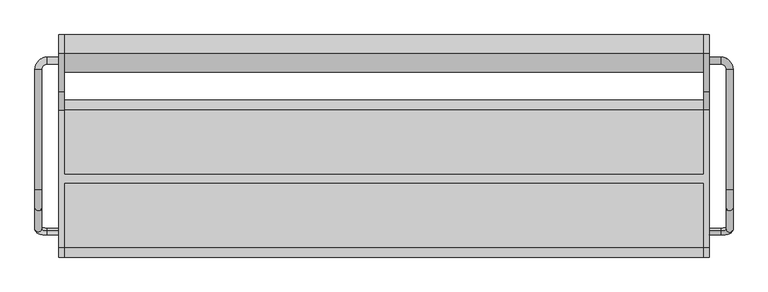
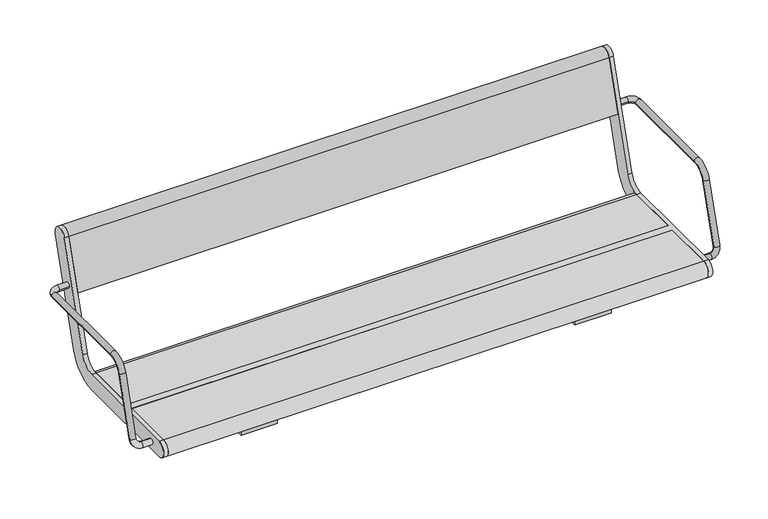
"""IFC4 building model written with IfcOpenShell, lengths in millimetres: furniture geometry."""

from ifc_helpers import new_model, si_unit, point, frame, frame_2d, origin, place, context, project, spatial, polyline, circle_curve, ellipse_curve, trimmed, segment, composite_curve, outline, extrude, source, transform, mapped, element, save
from ifc_brep_helpers import plane_surface, cylinder_surface, revolved_surface, advanced_brep


def furniture_1bf1882a(model_context):
    return source(origin(), model_context, "Body", "SolidModel", [
        advanced_brep(
        [(-757.0, -121.1610264, 435.150438), (-757.0, -125.8389736, 419.849562), (-784.0, -125.8389736, 419.849562), (-784.0, -121.1610264, 435.150438), (-813.0, -117.3601942, 447.5823999), (-797.0, -117.3601942, 447.5823999), (-813.0, 254.5, 641.5), (-813.0, -24.7753858, 641.5), (-797.0, -24.7753858, 641.5), (-797.0, 254.5, 641.5), (-797.0, -67.8090998, 609.6567267), (-813.0, -67.8090998, 609.6567267), (-757.0, 267.5, 641.5), (-757.0, 283.5, 641.5), (-784.0, 283.5, 641.5), (-784.0, 267.5, 641.5)],
        [
            (0, 1, circle_curve(frame((-757.0, -123.5, 427.5), z_axis=(1.0, 0.0, 0.0), x_axis=(0.0, -0.2923717047227402, -0.9563047559630344)), 8.0)),
            (1, 0, circle_curve(frame((-757.0, -123.5, 427.5), z_axis=(1.0, 0.0, 0.0), x_axis=(0.0, -0.2923717047227402, -0.9563047559630344)), 8.0)),
            (1, 2),
            (2, 3, circle_curve(frame((-784.0, -123.5, 427.5), z_axis=(1.0, 0.0, 0.0), x_axis=(0.0, -0.2923717047227402, -0.9563047559630344)), 8.0)),
            (3, 0),
            (3, 2, circle_curve(frame((-784.0, -123.5, 427.5), z_axis=(1.0, 0.0, 0.0), x_axis=(0.0, -0.2923717047227402, -0.9563047559630344)), 8.0)),
            (2, 4, circle_curve(frame((-784.0, -117.3601942, 447.5823999), z_axis=(0.0, 0.9563047559630344, -0.29237170472274027), x_axis=(0.0, -0.29237170472274027, -0.9563047559630344)), 29.0)),
            (4, 5, circle_curve(frame((-805.0, -117.3601942, 447.5823999), z_axis=(0.0, -0.29237170472274027, -0.9563047559630344), x_axis=(-1.0, 0.0, 0.0)), 8.0)),
            (5, 3, circle_curve(frame((-784.0, -117.3601942, 447.5823999), z_axis=(0.0, -0.9563047559630344, 0.29237170472274027), x_axis=(0.0, -0.29237170472274027, -0.9563047559630344)), 13.0)),
            (5, 4, circle_curve(frame((-805.0, -117.3601942, 447.5823999), z_axis=(0.0, -0.29237170472274027, -0.9563047559630344), x_axis=(-1.0, 0.0, 0.0)), 8.0)),
            (6, 7),
            (7, 8, circle_curve(frame((-805.0, -24.7753858, 641.5), z_axis=(0.0, 1.0, 0.0), x_axis=(-1.0, 0.0, 0.0)), 8.0)),
            (8, 9),
            (9, 6, circle_curve(frame((-805.0, 254.5, 641.5), z_axis=(0.0, -1.0, 0.0), x_axis=(-1.0, 0.0, 0.0)), 8.0)),
            (6, 9, circle_curve(frame((-805.0, 254.5, 641.5), z_axis=(0.0, -1.0, 0.0), x_axis=(-1.0, 0.0, 0.0)), 8.0)),
            (8, 7, circle_curve(frame((-805.0, -24.7753858, 641.5), z_axis=(0.0, 1.0, 0.0), x_axis=(-1.0, 0.0, 0.0)), 8.0)),
            (10, 11, circle_curve(frame((-805.0, -67.8090998, 609.6567267), z_axis=(0.0, -0.2923717047227378, -0.9563047559630351), x_axis=(-1.0, 0.0, 0.0)), 8.0)),
            (11, 4),
            (5, 10),
            (11, 10, circle_curve(frame((-805.0, -67.8090998, 609.6567267), z_axis=(0.0, -0.2923717047227378, -0.9563047559630351), x_axis=(-1.0, 0.0, 0.0)), 8.0)),
            (7, 11, circle_curve(frame((-813.0, -24.7753858, 596.5), z_axis=(1.0, 0.0, 0.0), x_axis=(0.0, 0.0, 1.0)), 45.0)),
            (10, 8, circle_curve(frame((-797.0, -24.7753858, 596.5), z_axis=(-1.0, 0.0, 0.0), x_axis=(0.0, 0.0, 1.0)), 45.0)),
            (12, 13, circle_curve(frame((-757.0, 275.5, 641.5), z_axis=(1.0, 0.0, 0.0), x_axis=(0.0, 1.0, 0.0)), 8.0)),
            (13, 12, circle_curve(frame((-757.0, 275.5, 641.5), z_axis=(1.0, 0.0, 0.0), x_axis=(0.0, 1.0, 0.0)), 8.0)),
            (13, 14),
            (14, 15, circle_curve(frame((-784.0, 275.5, 641.5), z_axis=(1.0, 0.0, 0.0), x_axis=(0.0, 1.0, 0.0)), 8.0)),
            (15, 12),
            (15, 14, circle_curve(frame((-784.0, 275.5, 641.5), z_axis=(1.0, 0.0, 0.0), x_axis=(0.0, 1.0, 0.0)), 8.0)),
            (14, 6, circle_curve(frame((-784.0, 254.5, 641.5), z_axis=(0.0, 0.0, 1.0), x_axis=(0.0, 1.0, 0.0)), 29.0)),
            (9, 15, circle_curve(frame((-784.0, 254.5, 641.5), z_axis=(0.0, 0.0, -1.0), x_axis=(0.0, 1.0, 0.0)), 13.0)),
        ],
        [
            plane_surface(frame((-757.0, -736.969501, 615.0564486), z_axis=(1.0, 0.0, 0.0), x_axis=(0.0, 0.9563047559630344, -0.29237170472274027))),
            cylinder_surface(frame((-757.0, -123.5, 427.5), z_axis=(1.0, 0.0, 0.0), x_axis=(0.0, -0.2923717047227402, -0.9563047559630344)), 8.0),
            revolved_surface(trimmed(ellipse_curve(frame((-784.0, -123.5, 427.5), z_axis=(1.0, 0.0, 0.0), x_axis=(0.0, -0.2923717047227402, -0.9563047559630344)), 8.0, 8.0), [point((-784.0, -125.8389736, 419.849562))], [point((-784.0, -121.1610264, 435.150438))], True, "CARTESIAN"), (-784.0, -730.8296952, 635.1388485), (0.0, 0.9563047559630344, -0.29237170472274027)),
            revolved_surface(trimmed(ellipse_curve(frame((-784.0, -123.5, 427.5), z_axis=(1.0, 0.0, 0.0), x_axis=(0.0, -0.2923717047227402, -0.9563047559630344)), 8.0, 8.0), [point((-784.0, -121.1610264, 435.150438))], [point((-784.0, -125.8389736, 419.849562))], True, "CARTESIAN"), (-784.0, -730.8296952, 635.1388485), (0.0, 0.9563047559630344, -0.29237170472274027)),
            cylinder_surface(frame((-805.0, 254.5, 641.5), z_axis=(0.0, 1.0, 0.0), x_axis=(-1.0, 0.0, 0.0)), 8.0),
            cylinder_surface(frame((-805.0, -67.8090998, 609.6567267), z_axis=(0.0, 0.2923717047227378, 0.9563047559630351), x_axis=(-1.0, 0.0, 0.0)), 8.0),
            revolved_surface(trimmed(ellipse_curve(frame((-805.0, -24.7753858, 641.5), z_axis=(0.0, 1.0, 0.0), x_axis=(-1.0, 0.0, 0.0)), 8.0, 8.0), [point((-813.0, -24.7753858, 641.5))], [point((-797.0, -24.7753858, 641.5))], True, "CARTESIAN"), (-500.0, -24.7753858, 596.5), (1.0, 0.0, 0.0)),
            revolved_surface(trimmed(ellipse_curve(frame((-805.0, -24.7753858, 641.5), z_axis=(0.0, 1.0, 0.0), x_axis=(-1.0, 0.0, 0.0)), 8.0, 8.0), [point((-797.0, -24.7753858, 641.5))], [point((-813.0, -24.7753858, 641.5))], True, "CARTESIAN"), (-500.0, -24.7753858, 596.5), (1.0, 0.0, 0.0)),
            plane_surface(frame((-757.0, 275.5, 0.0), z_axis=(1.0, 0.0, 0.0), x_axis=(0.0, 0.0, 1.0))),
            cylinder_surface(frame((-757.0, 275.5, 641.5), z_axis=(1.0, 0.0, 0.0), x_axis=(0.0, 1.0, 0.0)), 8.0),
            revolved_surface(trimmed(ellipse_curve(frame((-784.0, 275.5, 641.5), z_axis=(1.0, 0.0, 0.0), x_axis=(0.0, 1.0, 0.0)), 8.0, 8.0), [point((-784.0, 283.5, 641.5))], [point((-784.0, 267.5, 641.5))], True, "CARTESIAN"), (-784.0, 254.5, 0.0), (0.0, 0.0, 1.0)),
            revolved_surface(trimmed(ellipse_curve(frame((-784.0, 275.5, 641.5), z_axis=(1.0, 0.0, 0.0), x_axis=(0.0, 1.0, 0.0)), 8.0, 8.0), [point((-784.0, 267.5, 641.5))], [point((-784.0, 283.5, 641.5))], True, "CARTESIAN"), (-784.0, 254.5, 0.0), (0.0, 0.0, 1.0)),
        ],
        [
            (0, [[1, 2]]),
            (1, [[-2, 3, 4, 5]]),
            (1, [[-1, -5, 6, -3]]),
            (2, [[-4, 7, 8, 9]]),
            (3, [[-6, -9, 10, -7]]),
            (4, [[11, 12, 13, 14]]),
            (4, [[-11, 15, -13, 16]]),
            (5, [[17, 18, -10, 19]]),
            (5, [[-18, 20, -19, -8]]),
            (6, [[-12, 21, -17, 22]]),
            (7, [[-16, -22, -20, -21]]),
            (8, [[23, 24]]),
            (9, [[-24, 25, 26, 27]]),
            (9, [[-23, -27, 28, -25]]),
            (10, [[-26, 29, -14, 30]]),
            (11, [[-28, -30, -15, -29]]),
        ],
    ),
        advanced_brep(
        [(797.0, 254.5, 641.5), (797.0, -24.7753858, 641.5), (813.0, -24.7753858, 641.5), (813.0, 254.5, 641.5), (813.0, -67.8090998, 609.6567267), (797.0, -67.8090998, 609.6567267), (797.0, -117.3601942, 447.5823999), (813.0, -117.3601942, 447.5823999), (757.0, 267.5, 641.5), (757.0, 283.5, 641.5), (784.0, 267.5, 641.5), (784.0, 283.5, 641.5), (757.0, -121.1610264, 435.150438), (757.0, -125.8389736, 419.849562), (784.0, -121.1610264, 435.150438), (784.0, -125.8389736, 419.849562)],
        [
            (0, 1),
            (1, 2, circle_curve(frame((805.0, -24.7753858, 641.5), z_axis=(0.0, 1.0, 0.0), x_axis=(1.0, 0.0, 0.0)), 8.0)),
            (2, 3),
            (3, 0, circle_curve(frame((805.0, 254.5, 641.5), z_axis=(0.0, -1.0, 0.0), x_axis=(1.0, 0.0, 0.0)), 8.0)),
            (0, 3, circle_curve(frame((805.0, 254.5, 641.5), z_axis=(0.0, -1.0, 0.0), x_axis=(1.0, 0.0, 0.0)), 8.0)),
            (2, 1, circle_curve(frame((805.0, -24.7753858, 641.5), z_axis=(0.0, 1.0, 0.0), x_axis=(1.0, 0.0, 0.0)), 8.0)),
            (4, 5, circle_curve(frame((805.0, -67.8090998, 609.6567267), z_axis=(0.0, -0.2923717047227378, -0.9563047559630351), x_axis=(1.0, 0.0, 0.0)), 8.0)),
            (5, 6),
            (6, 7, circle_curve(frame((805.0, -117.3601942, 447.5823999), z_axis=(0.0, 0.2923717047227378, 0.9563047559630351), x_axis=(1.0, 0.0, 0.0)), 8.0)),
            (7, 4),
            (5, 4, circle_curve(frame((805.0, -67.8090998, 609.6567267), z_axis=(0.0, -0.2923717047227378, -0.9563047559630351), x_axis=(1.0, 0.0, 0.0)), 8.0)),
            (7, 6, circle_curve(frame((805.0, -117.3601942, 447.5823999), z_axis=(0.0, 0.2923717047227378, 0.9563047559630351), x_axis=(1.0, 0.0, 0.0)), 8.0)),
            (1, 5, circle_curve(frame((797.0, -24.7753858, 596.5), z_axis=(1.0, 0.0, 0.0), x_axis=(0.0, 0.0, 1.0)), 45.0)),
            (4, 2, circle_curve(frame((813.0, -24.7753858, 596.5), z_axis=(-1.0, 0.0, 0.0), x_axis=(0.0, 0.0, 1.0)), 45.0)),
            (8, 9, circle_curve(frame((757.0, 275.5, 641.5), z_axis=(-1.0, 0.0, 0.0), x_axis=(0.0, 1.0, 0.0)), 8.0)),
            (9, 8, circle_curve(frame((757.0, 275.5, 641.5), z_axis=(-1.0, 0.0, 0.0), x_axis=(0.0, 1.0, 0.0)), 8.0)),
            (8, 10),
            (10, 11, circle_curve(frame((784.0, 275.5, 641.5), z_axis=(-1.0, 0.0, 0.0), x_axis=(0.0, 1.0, 0.0)), 8.0)),
            (11, 9),
            (11, 10, circle_curve(frame((784.0, 275.5, 641.5), z_axis=(-1.0, 0.0, 0.0), x_axis=(0.0, 1.0, 0.0)), 8.0)),
            (10, 0, circle_curve(frame((784.0, 254.5, 641.5), z_axis=(0.0, 0.0, -1.0), x_axis=(0.0, 1.0, 0.0)), 13.0)),
            (3, 11, circle_curve(frame((784.0, 254.5, 641.5), z_axis=(0.0, 0.0, 1.0), x_axis=(0.0, 1.0, 0.0)), 29.0)),
            (12, 13, circle_curve(frame((757.0, -123.5, 427.5), z_axis=(-1.0, 0.0, 0.0), x_axis=(0.0, -0.2923717047227402, -0.9563047559630344)), 8.0)),
            (13, 12, circle_curve(frame((757.0, -123.5, 427.5), z_axis=(-1.0, 0.0, 0.0), x_axis=(0.0, -0.2923717047227402, -0.9563047559630344)), 8.0)),
            (12, 14),
            (14, 15, circle_curve(frame((784.0, -123.5, 427.5), z_axis=(-1.0, 0.0, 0.0), x_axis=(0.0, -0.2923717047227402, -0.9563047559630344)), 8.0)),
            (15, 13),
            (15, 14, circle_curve(frame((784.0, -123.5, 427.5), z_axis=(-1.0, 0.0, 0.0), x_axis=(0.0, -0.2923717047227402, -0.9563047559630344)), 8.0)),
            (14, 6, circle_curve(frame((784.0, -117.3601942, 447.5823999), z_axis=(0.0, -0.9563047559630344, 0.2923717047227402), x_axis=(0.0, -0.2923717047227402, -0.9563047559630344)), 13.0)),
            (7, 15, circle_curve(frame((784.0, -117.3601942, 447.5823999), z_axis=(0.0, 0.9563047559630344, -0.2923717047227402), x_axis=(0.0, -0.2923717047227402, -0.9563047559630344)), 29.0)),
        ],
        [
            cylinder_surface(frame((805.0, 254.5, 641.5), z_axis=(0.0, 1.0, 0.0), x_axis=(1.0, 0.0, 0.0)), 8.0),
            cylinder_surface(frame((805.0, -67.8090998, 609.6567267), z_axis=(0.0, 0.2923717047227378, 0.9563047559630351), x_axis=(1.0, 0.0, 0.0)), 8.0),
            revolved_surface(trimmed(ellipse_curve(frame((805.0, -24.7753858, 641.5), z_axis=(0.0, 1.0, 0.0), x_axis=(1.0, 0.0, 0.0)), 8.0, 8.0), [point((797.0, -24.7753858, 641.5))], [point((813.0, -24.7753858, 641.5))], True, "CARTESIAN"), (0.0, -24.7753858, 596.5), (1.0, 0.0, 0.0)),
            revolved_surface(trimmed(ellipse_curve(frame((805.0, -24.7753858, 641.5), z_axis=(0.0, 1.0, 0.0), x_axis=(1.0, 0.0, 0.0)), 8.0, 8.0), [point((813.0, -24.7753858, 641.5))], [point((797.0, -24.7753858, 641.5))], True, "CARTESIAN"), (0.0, -24.7753858, 596.5), (1.0, 0.0, 0.0)),
            plane_surface(frame((757.0, 275.5, 0.0), z_axis=(-1.0, 0.0, 0.0), x_axis=(0.0, 0.0, 1.0))),
            cylinder_surface(frame((757.0, 275.5, 641.5), z_axis=(-1.0, 0.0, 0.0), x_axis=(0.0, 1.0, 0.0)), 8.0),
            revolved_surface(trimmed(ellipse_curve(frame((784.0, 275.5, 641.5), z_axis=(-1.0, 0.0, 0.0), x_axis=(0.0, 1.0, 0.0)), 8.0, 8.0), [point((784.0, 267.5, 641.5))], [point((784.0, 283.5, 641.5))], True, "CARTESIAN"), (784.0, 254.5, 0.0), (0.0, 0.0, -1.0)),
            revolved_surface(trimmed(ellipse_curve(frame((784.0, 275.5, 641.5), z_axis=(-1.0, 0.0, 0.0), x_axis=(0.0, 1.0, 0.0)), 8.0, 8.0), [point((784.0, 283.5, 641.5))], [point((784.0, 267.5, 641.5))], True, "CARTESIAN"), (784.0, 254.5, 0.0), (0.0, 0.0, -1.0)),
            plane_surface(frame((757.0, -736.969501, 615.0564486), z_axis=(-1.0, 0.0, 0.0), x_axis=(0.0, 0.9563047559630344, -0.2923717047227402))),
            cylinder_surface(frame((757.0, -123.5, 427.5), z_axis=(-1.0, 0.0, 0.0), x_axis=(0.0, -0.2923717047227402, -0.9563047559630344)), 8.0),
            revolved_surface(trimmed(ellipse_curve(frame((784.0, -123.5, 427.5), z_axis=(-1.0, 0.0, 0.0), x_axis=(0.0, -0.2923717047227402, -0.9563047559630344)), 8.0, 8.0), [point((784.0, -121.1610264, 435.150438))], [point((784.0, -125.8389736, 419.849562))], True, "CARTESIAN"), (784.0, -730.8296952, 635.1388485), (0.0, -0.9563047559630344, 0.2923717047227402)),
            revolved_surface(trimmed(ellipse_curve(frame((784.0, -123.5, 427.5), z_axis=(-1.0, 0.0, 0.0), x_axis=(0.0, -0.2923717047227402, -0.9563047559630344)), 8.0, 8.0), [point((784.0, -125.8389736, 419.849562))], [point((784.0, -121.1610264, 435.150438))], True, "CARTESIAN"), (784.0, -730.8296952, 635.1388485), (0.0, -0.9563047559630344, 0.2923717047227402)),
        ],
        [
            (0, [[1, 2, 3, 4]]),
            (0, [[-1, 5, -3, 6]]),
            (1, [[7, 8, 9, 10]]),
            (1, [[-8, 11, -10, 12]]),
            (2, [[-2, 13, -7, 14]]),
            (3, [[-6, -14, -11, -13]]),
            (4, [[15, 16]]),
            (5, [[-15, 17, 18, 19]]),
            (5, [[-16, -19, 20, -17]]),
            (6, [[-18, 21, -4, 22]]),
            (7, [[-20, -22, -5, -21]]),
            (8, [[23, 24]]),
            (9, [[-23, 25, 26, 27]]),
            (9, [[-24, -27, 28, -25]]),
            (10, [[-26, 29, -12, 30]]),
            (11, [[-28, -30, -9, -29]]),
        ],
    ),
        advanced_brep(
        [(-745.0, 291.5375971, 769.6910048), (-745.0, 203.533714, 481.8432733), (-745.0, 160.5, 450.0), (-745.0, 10.0, 450.0), (-745.0, 10.0, 405.0), (-745.0, 160.5, 405.0), (-745.0, 246.567428, 468.6865466), (-745.0, 334.5713112, 756.5342781), (-745.0, -160.5, 450.0), (-745.0, -160.5, 405.0), (-745.0, -10.0, 405.0), (-745.0, -10.0, 450.0), (-757.0, 291.5375971, 769.6910048), (-757.0, 334.5713112, 756.5342781), (-757.0, 246.567428, 468.6865466), (-757.0, 160.5, 405.0), (-757.0, -160.5, 405.0), (-757.0, -160.5, 450.0), (-757.0, 160.5, 450.0), (-757.0, 203.533714, 481.8432733), (745.0, -10.0, 450.0), (745.0, -160.5, 450.0), (757.0, -160.5, 450.0), (757.0, 160.5, 450.0), (745.0, 160.5, 450.0), (745.0, 10.0, 450.0), (745.0, 10.0, 405.0), (745.0, 160.5, 405.0), (757.0, 160.5, 405.0), (757.0, -160.5, 405.0), (745.0, -160.5, 405.0), (745.0, -10.0, 405.0), (757.0, 291.5375971, 769.6910048), (757.0, 203.533714, 481.8432733), (757.0, 246.567428, 468.6865466), (757.0, 334.5713112, 756.5342781), (745.0, 291.5375971, 769.6910048), (745.0, 334.5713112, 756.5342781), (745.0, 246.567428, 468.6865466), (745.0, 203.533714, 481.8432733)],
        [
            (0, 1),
            (1, 2, circle_curve(frame((-745.0, 160.5, 495.0), z_axis=(-1.0, 0.0, 0.0), x_axis=(0.0, -1.0, 0.0)), 45.0)),
            (2, 3),
            (3, 4),
            (4, 5),
            (5, 6, circle_curve(frame((-745.0, 160.5, 495.0), z_axis=(1.0, 0.0, 0.0), x_axis=(0.0, -1.0, 0.0)), 90.0)),
            (6, 7),
            (7, 0, circle_curve(frame((-745.0, 313.0544541, 763.1126415), z_axis=(1.0, 0.0, 0.0), x_axis=(0.0, -1.0, 0.0)), 22.5)),
            (8, 9, circle_curve(frame((-745.0, -160.5, 427.5), z_axis=(1.0, 0.0, 0.0), x_axis=(0.0, -1.0, 0.0)), 22.5)),
            (9, 10),
            (10, 11),
            (11, 8),
            (12, 13, circle_curve(frame((-757.0, 313.0544541, 763.1126415), z_axis=(-1.0, 0.0, 0.0), x_axis=(0.0, -1.0, 0.0)), 22.5)),
            (13, 14),
            (14, 15, circle_curve(frame((-757.0, 160.5, 495.0), z_axis=(-1.0, 0.0, 0.0), x_axis=(0.0, -1.0, 0.0)), 90.0)),
            (15, 16),
            (16, 17, circle_curve(frame((-757.0, -160.5, 427.5), z_axis=(-1.0, 0.0, 0.0), x_axis=(0.0, -1.0, 0.0)), 22.5)),
            (17, 18),
            (18, 19, circle_curve(frame((-757.0, 160.5, 495.0), z_axis=(1.0, 0.0, 0.0), x_axis=(0.0, -1.0, 0.0)), 45.0)),
            (19, 12),
            (0, 12),
            (19, 1),
            (18, 2),
            (17, 8),
            (11, 20),
            (20, 21),
            (21, 22),
            (22, 23),
            (23, 24),
            (24, 25),
            (25, 3),
            (15, 5),
            (4, 26),
            (26, 27),
            (27, 28),
            (28, 29),
            (29, 30),
            (30, 31),
            (31, 10),
            (9, 16),
            (14, 6),
            (13, 7),
            (31, 20),
            (25, 26),
            (32, 33),
            (33, 23, circle_curve(frame((757.0, 160.5, 495.0), z_axis=(-1.0, 0.0, 0.0), x_axis=(0.0, -1.0, 0.0)), 45.0)),
            (22, 29, circle_curve(frame((757.0, -160.5, 427.5), z_axis=(1.0, 0.0, 0.0), x_axis=(0.0, -1.0, 0.0)), 22.5)),
            (28, 34, circle_curve(frame((757.0, 160.5, 495.0), z_axis=(1.0, 0.0, 0.0), x_axis=(0.0, -1.0, 0.0)), 90.0)),
            (34, 35),
            (35, 32, circle_curve(frame((757.0, 313.0544541, 763.1126415), z_axis=(1.0, 0.0, 0.0), x_axis=(0.0, -1.0, 0.0)), 22.5)),
            (36, 37, circle_curve(frame((745.0, 313.0544541, 763.1126415), z_axis=(-1.0, 0.0, 0.0), x_axis=(0.0, -1.0, 0.0)), 22.5)),
            (37, 38),
            (38, 27, circle_curve(frame((745.0, 160.5, 495.0), z_axis=(-1.0, 0.0, 0.0), x_axis=(0.0, -1.0, 0.0)), 90.0)),
            (24, 39, circle_curve(frame((745.0, 160.5, 495.0), z_axis=(1.0, 0.0, 0.0), x_axis=(0.0, -1.0, 0.0)), 45.0)),
            (39, 36),
            (30, 21, circle_curve(frame((745.0, -160.5, 427.5), z_axis=(-1.0, 0.0, 0.0), x_axis=(0.0, -1.0, 0.0)), 22.5)),
            (32, 36),
            (39, 33),
            (38, 34),
            (37, 35),
        ],
        [
            plane_surface(frame((-745.0, 203.533714, 481.8432733), z_axis=(1.0000000000000002, 0.0, 0.0), x_axis=(0.0, -0.29237170472273394, -0.9563047559630364))),
            plane_surface(frame((-757.0, 203.533714, 481.8432733), z_axis=(-1.0000000000000002, 0.0, 0.0), x_axis=(0.0, 0.29237170472273394, 0.9563047559630364))),
            plane_surface(frame((-745.0, 291.5375971, 769.6910048), z_axis=(0.0, -0.9563047559630364, 0.29237170472273394), x_axis=(-1.0, 0.0, 0.0))),
            revolved_surface(polyline([(-757.0, 115.5, 495.0), (-745.0, 115.5, 495.0)]), (-757.0, 160.5, 495.0), (-1.0, 0.0, 0.0)),
            plane_surface(frame((-745.0, 160.5, 450.0), z_axis=(0.0, 0.0, 1.0), x_axis=(-1.0, 0.0, 0.0))),
            plane_surface(frame((-745.0, -160.5, 405.0), z_axis=(0.0, 0.0, -1.0), x_axis=(-1.0, 0.0, 0.0))),
            cylinder_surface(frame((-757.0, 160.5, 495.0), z_axis=(1.0, 0.0, 0.0), x_axis=(0.0, -1.0, 0.0)), 90.0),
            plane_surface(frame((-745.0, 246.567428, 468.6865466), z_axis=(0.0, 0.9563047559630364, -0.29237170472273366), x_axis=(-1.0, 0.0, 0.0))),
            cylinder_surface(frame((-757.0, 313.0544541, 763.1126415), z_axis=(1.0, 0.0, 0.0), x_axis=(0.0, -1.0, 0.0)), 22.5),
            cylinder_surface(frame((-757.0, -160.5, 427.5), z_axis=(1.0, 0.0, 0.0), x_axis=(0.0, -1.0, 0.0)), 22.5),
            plane_surface(frame((745.0, -10.0, 450.0), z_axis=(0.0, -1.0, 0.0), x_axis=(-1.0, 0.0, 0.0))),
            plane_surface(frame((745.0, 10.0, 405.0), z_axis=(0.0, 1.0, 0.0), x_axis=(-1.0, 0.0, 0.0))),
            plane_surface(frame((757.0, 203.533714, 481.8432733), z_axis=(1.0000000000000002, 0.0, 0.0), x_axis=(0.0, -0.29237170472273394, -0.9563047559630364))),
            plane_surface(frame((745.0, 203.533714, 481.8432733), z_axis=(-1.0000000000000002, 0.0, 0.0), x_axis=(0.0, 0.29237170472273394, 0.9563047559630364))),
            plane_surface(frame((757.0, 291.5375971, 769.6910048), z_axis=(0.0, -0.9563047559630364, 0.29237170472273394), x_axis=(-1.0, 0.0, 0.0))),
            revolved_surface(polyline([(745.0, 115.5, 495.0), (757.0, 115.5, 495.0)]), (745.0, 160.5, 495.0), (-1.0, 0.0, 0.0)),
            cylinder_surface(frame((745.0, 160.5, 495.0), z_axis=(1.0, 0.0, 0.0), x_axis=(0.0, -1.0, 0.0)), 90.0),
            plane_surface(frame((757.0, 246.567428, 468.6865466), z_axis=(0.0, 0.9563047559630364, -0.29237170472273366), x_axis=(-1.0, 0.0, 0.0))),
            cylinder_surface(frame((745.0, 313.0544541, 763.1126415), z_axis=(1.0, 0.0, 0.0), x_axis=(0.0, -1.0, 0.0)), 22.5),
            cylinder_surface(frame((745.0, -160.5, 427.5), z_axis=(1.0, 0.0, 0.0), x_axis=(0.0, -1.0, 0.0)), 22.5),
        ],
        [
            (0, [[1, 2, 3, 4, 5, 6, 7, 8]]),
            (0, [[9, 10, 11, 12]]),
            (1, [[13, 14, 15, 16, 17, 18, 19, 20]]),
            (2, [[-1, 21, -20, 22]]),
            (3, [[-2, -22, -19, 23]]),
            (4, [[-18, 24, -12, 25, 26, 27, 28, 29, 30, 31, -3, -23]]),
            (5, [[-16, 32, -5, 33, 34, 35, 36, 37, 38, 39, -10, 40]]),
            (6, [[-6, -32, -15, 41]]),
            (7, [[-7, -41, -14, 42]]),
            (8, [[-8, -42, -13, -21]]),
            (9, [[-9, -24, -17, -40]]),
            (10, [[-25, -11, -39, 43]]),
            (11, [[-31, 44, -33, -4]]),
            (12, [[45, 46, -28, 47, -36, 48, 49, 50]]),
            (13, [[51, 52, 53, -34, -44, -30, 54, 55]]),
            (13, [[56, -26, -43, -38]]),
            (14, [[-45, 57, -55, 58]]),
            (15, [[-46, -58, -54, -29]]),
            (16, [[-48, -35, -53, 59]]),
            (17, [[-49, -59, -52, 60]]),
            (18, [[-50, -60, -51, -57]]),
            (19, [[-47, -27, -56, -37]]),
        ],
    ),
        extrude(outline(composite_curve([segment(trimmed(circle_curve(frame_2d((313.0544541, 763.1126415)), 22.5), [point((291.5375971, 769.6910048))], [point((334.5713112, 756.5342781))], False, "CARTESIAN"), True, "CONTINUOUS"), segment(polyline([(334.5713112, 756.5342781), (292.0312281, 617.3919361), (248.9975141, 630.5486628), (291.5375971, 769.6910048)]), True, "CONTINUOUS")], self_intersect=False)), frame((-745.0, 0.0, 0.0), z_axis=(1.0, 0.0, 0.0), x_axis=(0.0, 1.0, 0.0)), (0.0, 0.0, 1.0), 1490.0),
        extrude(outline(composite_curve([segment(polyline([(10.0, 405.0), (10.0, 450.0), (160.5, 450.0)]), True, "CONTINUOUS"), segment(trimmed(circle_curve(frame_2d((160.5, 427.5)), 22.5), [point((160.5, 450.0))], [point((160.5, 405.0))], False, "CARTESIAN"), True, "CONTINUOUS"), segment(polyline([(160.5, 405.0), (10.0, 405.0)]), True, "CONTINUOUS")], self_intersect=False)), frame((-745.0, 0.0, 0.0), z_axis=(1.0, 0.0, 0.0), x_axis=(0.0, 1.0, 0.0)), (0.0, 0.0, 1.0), 1490.0),
        extrude(outline(composite_curve([segment(polyline([(-10.0, 405.0), (-160.5, 405.0)]), True, "CONTINUOUS"), segment(trimmed(circle_curve(frame_2d((-160.5, 427.5)), 22.5), [point((-160.5, 405.0))], [point((-160.5, 450.0))], False, "CARTESIAN"), True, "CONTINUOUS"), segment(polyline([(-160.5, 450.0), (-10.0, 450.0), (-10.0, 405.0)]), True, "CONTINUOUS")], self_intersect=False)), frame((-745.0, 0.0, 0.0), z_axis=(1.0, 0.0, 0.0), x_axis=(0.0, 1.0, 0.0)), (0.0, 0.0, 1.0), 1490.0),
        extrude(outline(polyline([(125.0, 359.0), (-125.0, 359.0), (-125.0, 405.0), (125.0, 405.0), (125.0, 359.0)]), holes=[polyline([(-117.202041, 397.0), (-117.202041, 367.0), (117.202041, 367.0), (117.202041, 397.0), (-117.202041, 397.0)])]), frame((410.0, 0.0, 0.0), z_axis=(1.0, 0.0, 0.0), x_axis=(0.0, 1.0, 0.0)), (0.0, 0.0, 1.0), 100.0),
        extrude(outline(polyline([(125.0, 359.0), (-125.0, 359.0), (-125.0, 405.0), (125.0, 405.0), (125.0, 359.0)]), holes=[polyline([(-117.202041, 397.0), (-117.202041, 367.0), (117.202041, 367.0), (117.202041, 397.0), (-117.202041, 397.0)])]), frame((-510.0, 0.0, 0.0), z_axis=(1.0, 0.0, 0.0), x_axis=(0.0, 1.0, 0.0)), (0.0, 0.0, 1.0), 100.0),
    ])


if __name__ == "__main__":
    model = new_model("IFC4")
    model_context = context("Model", 3, world=origin())
    ifc_project = project(units=[si_unit("LENGTHUNIT", "METRE", prefix="MILLI")], contexts=[model_context])
    site = spatial("IfcSite", under=ifc_project)
    building = spatial("IfcBuilding", under=site)
    placement = place(None, origin())
    furniture_shape = furniture_1bf1882a(model_context)
    element("IfcFurniture", 1, at=placement, inside=building, context=model_context, shape_type="MappedRepresentation", body=[
        mapped(furniture_shape, transform((0.0, 0.0, 0.0), x_axis=(1.0, 0.0, 0.0), y_axis=(0.0, 1.0, 0.0), z_axis=(0.0, 0.0, 1.0))),
    ])
    save(model, "model.ifc")
